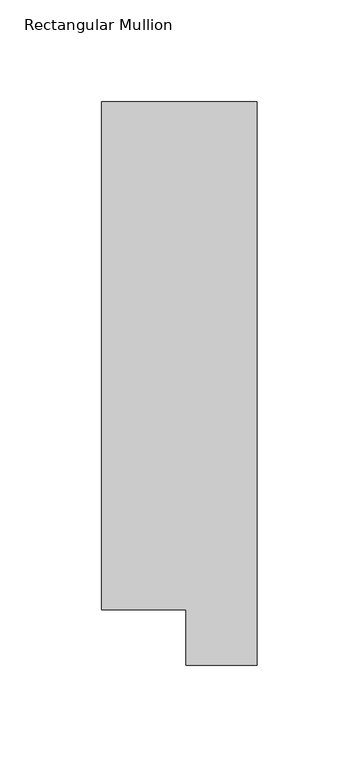
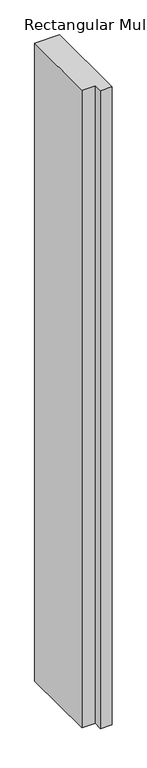
"""IFC4 building model written with IfcOpenShell, lengths in millimetres: member geometry, Rectangular Mullion."""

from ifc_helpers import new_model, si_unit, frame, origin, place, context, project, spatial, polyline, outline, extrude, source, transform, mapped, element, save


def rectangular_mullion_6a56ff6a(model_context):
    return source(origin(), model_context, "Body", "SweptSolid", [
        extrude(outline(polyline([(0.0, 295.9695313), (0.0, 19.5667312), (-34.9123, 19.5667312), (-34.9123, 46.7447302), (-76.2, 46.7447302), (-76.2, 295.9695313), (0.0, 295.9695313)])), frame((0.0, 0.0, -2057.4), z_axis=(0.0, 0.0, 1.0), x_axis=(1.0, 0.0, 0.0)), (0.0, 0.0, 1.0), 2057.4),
    ])


if __name__ == "__main__":
    model = new_model("IFC4")
    model_context = context("Model", 3, world=origin())
    ifc_project = project(units=[si_unit("LENGTHUNIT", "METRE", prefix="MILLI")], contexts=[model_context])
    site = spatial("IfcSite", under=ifc_project)
    building = spatial("IfcBuilding", under=site)
    placement = place(None, origin())
    rectangular_mullion_shape = rectangular_mullion_6a56ff6a(model_context)
    element("IfcMember", 1, ObjectType="Rectangular Mullion", at=placement, inside=building, context=model_context, shape_type="MappedRepresentation", body=[
        mapped(rectangular_mullion_shape, transform((0.0, 0.0, 0.0), x_axis=(1.0, 0.0, 0.0), y_axis=(0.0, 1.0, 0.0), z_axis=(0.0, 0.0, 1.0))),
    ])
    save(model, "model.ifc")
